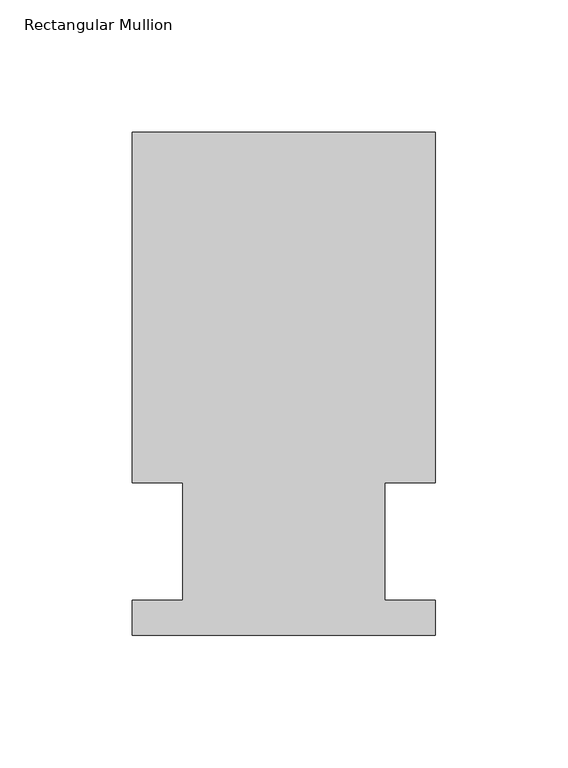
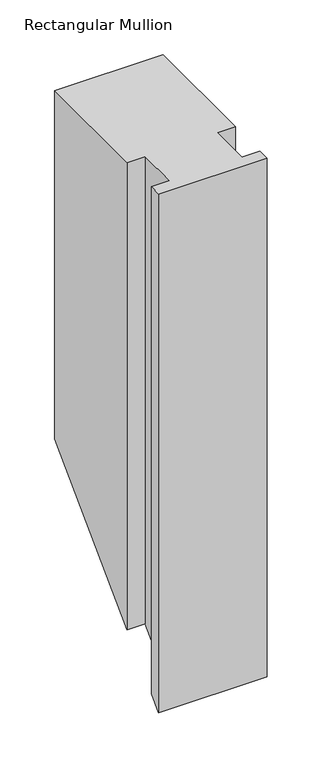
"""IFC4 building model written with IfcOpenShell, lengths in millimetres: member geometry, Rectangular Mullion."""

from ifc_helpers import new_model, si_unit, origin, place, context, project, spatial, faceted_brep, source, transform, mapped, element, save


def rectangular_mullion_ff3a2faf(model_context):
    return source(origin(), model_context, "Body", "Brep", [
        faceted_brep([(-114.3, 189.8022937, 0.0), (-114.3, 57.6460938, 0.0), (-95.25, 57.6460937, 0.0), (-95.25, 13.1960937, 0.0), (-114.3, 13.1960937, 0.0), (-114.3, 0.0231006, 0.0), (0.0, 0.0231006, 0.0), (0.0, 13.1960937, 0.0), (-19.0372999, 13.1960937, 0.0), (-19.0372999, 57.6460938, 0.0), (0.0, 57.6460937, 0.0), (0.0, 189.8022937, 0.0), (-114.3, 189.8022937, -388.0477063), (-114.3, 57.6460938, -520.2039063), (-95.25, 57.6460937, -520.2039063), (-95.25, 13.1960937, -564.6539063), (-114.3, 13.1960937, -564.6539063), (-114.3, 0.0231006, -577.8268994), (0.0, 0.0231006, -577.8268994), (0.0, 13.1960937, -564.6539063), (-19.0372999, 13.1960937, -564.6539063), (-19.0372999, 57.6460938, -520.2039063), (0.0, 57.6460937, -520.2039063), (0.0, 189.8022937, -388.0477063)], [[[0, 1, 2, 3, 4, 5, 6, 7, 8, 9, 10, 11]], [[1, 0, 12, 13]], [[2, 1, 13, 14]], [[3, 2, 14, 15]], [[4, 3, 15, 16]], [[5, 4, 16, 17]], [[6, 5, 17, 18]], [[7, 6, 18, 19]], [[8, 7, 19, 20]], [[9, 8, 20, 21]], [[10, 9, 21, 22]], [[11, 10, 22, 23]], [[0, 11, 23, 12]], [[12, 23, 22, 21, 20, 19, 18, 17, 16, 15, 14, 13]]]),
    ])


if __name__ == "__main__":
    model = new_model("IFC4")
    model_context = context("Model", 3, world=origin())
    ifc_project = project(units=[si_unit("LENGTHUNIT", "METRE", prefix="MILLI")], contexts=[model_context])
    site = spatial("IfcSite", under=ifc_project)
    building = spatial("IfcBuilding", under=site)
    placement = place(None, origin())
    rectangular_mullion_shape = rectangular_mullion_ff3a2faf(model_context)
    element("IfcMember", 1, ObjectType="Rectangular Mullion", at=placement, inside=building, context=model_context, shape_type="MappedRepresentation", body=[
        mapped(rectangular_mullion_shape, transform((0.0, 0.0, 0.0), x_axis=(1.0, 0.0, 0.0), y_axis=(0.0, 1.0, 0.0), z_axis=(0.0, 0.0, 1.0))),
    ])
    save(model, "model.ifc")
